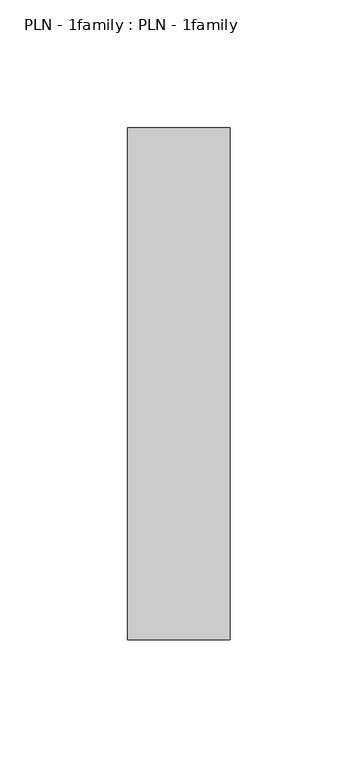
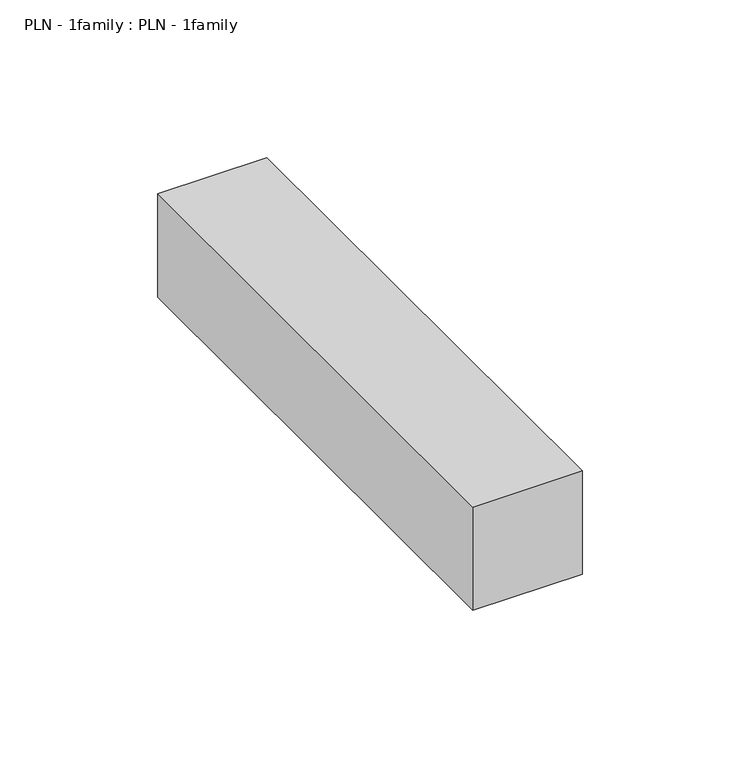
"""IFC4 building model written with IfcOpenShell, lengths in millimetres: proxy geometry, PLN - 1family : PLN - 1family."""

from ifc_helpers import new_model, si_unit, frame, origin, place, context, project, spatial, polyline, outline, extrude, source, transform, mapped, element, save


def pln_1family_pln_1family_1d0df3a4(model_context):
    return source(origin(), model_context, "Body", "SweptSolid", [
        extrude(outline(polyline([(0.0, 200.0), (40.0, 200.0), (40.0, 0.0), (0.0, 0.0), (0.0, 200.0)])), frame((0.0, 0.0, 150.0), z_axis=(0.0, 0.0, 1.0), x_axis=(1.0, 0.0, 0.0)), (0.0, 0.0, 1.0), 40.0),
    ])


if __name__ == "__main__":
    model = new_model("IFC4")
    model_context = context("Model", 3, world=origin())
    ifc_project = project(units=[si_unit("LENGTHUNIT", "METRE", prefix="MILLI")], contexts=[model_context])
    site = spatial("IfcSite", under=ifc_project)
    building = spatial("IfcBuilding", under=site)
    placement = place(None, origin())
    pln_1family_pln_1family_shape = pln_1family_pln_1family_1d0df3a4(model_context)
    element("IfcBuildingElementProxy", 1, Name="PLN - 1family : PLN - 1family", ObjectType="PLN - 1family : PLN - 1family", at=placement, inside=building, context=model_context, shape_type="MappedRepresentation", body=[
        mapped(pln_1family_pln_1family_shape, transform((0.0, 0.0, 0.0), x_axis=(1.0, 0.0, 0.0), y_axis=(0.0, 1.0, 0.0), z_axis=(0.0, 0.0, 1.0))),
    ])
    save(model, "model.ifc")
